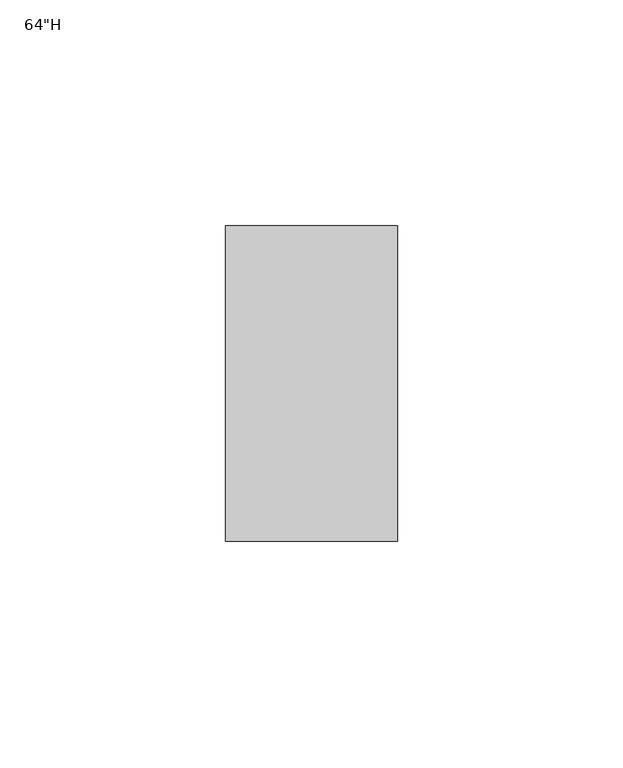
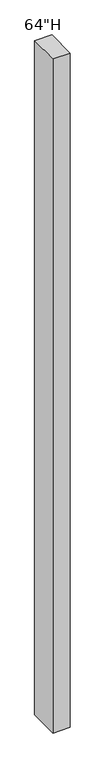
"""IFC4 building model written with IfcOpenShell, lengths in millimetres: furniture geometry."""

from ifc_helpers import new_model, si_unit, frame, origin, place, context, project, spatial, polyline, outline, extrude, source, transform, mapped, element, save


def furniture_40b55c4c(model_context):
    return source(origin(), model_context, "Body", "SweptSolid", [
        extrude(outline(polyline([(-19.05, 25.4), (19.05, 25.4), (19.05, -44.45), (-19.05, -44.45), (-19.05, 25.4)])), frame((0.0, 0.0, 527.1492187), z_axis=(0.0, 0.0, 1.0), x_axis=(1.0, 0.0, 0.0)), (0.0, 0.0, 1.0), 1572.7164062),
    ])


if __name__ == "__main__":
    model = new_model("IFC4")
    model_context = context("Model", 3, world=origin())
    ifc_project = project(units=[si_unit("LENGTHUNIT", "METRE", prefix="MILLI")], contexts=[model_context])
    site = spatial("IfcSite", under=ifc_project)
    building = spatial("IfcBuilding", under=site)
    placement = place(None, origin())
    furniture_shape = furniture_40b55c4c(model_context)
    element("IfcFurniture", 1, ObjectType="64\"H", at=placement, inside=building, context=model_context, shape_type="MappedRepresentation", body=[
        mapped(furniture_shape, transform((0.0, 0.0, 0.0), x_axis=(1.0, 0.0, 0.0), y_axis=(0.0, 1.0, 0.0), z_axis=(0.0, 0.0, 1.0))),
    ])
    save(model, "model.ifc")
